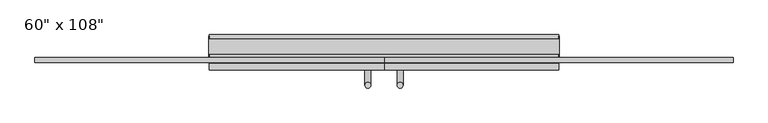
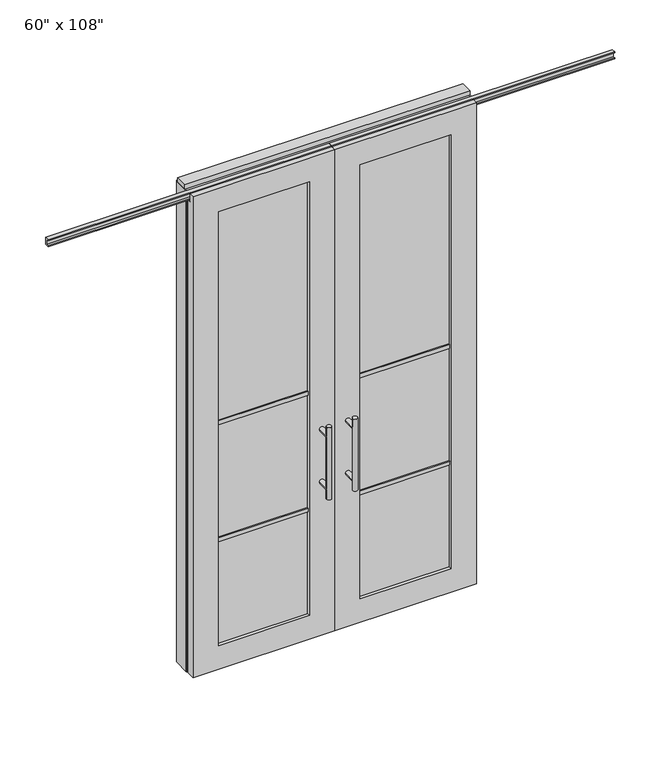
"""IFC4 building model written with IfcOpenShell, lengths in millimetres: furniture geometry."""

from ifc_helpers import new_model, si_unit, frame, origin, origin_with_axes, place, context, project, spatial, polyline, circle_curve, ellipse_curve, outline, extrude, faceted_brep, source, transform, mapped, element, save
from ifc_brep_helpers import plane_surface, cylinder_surface, advanced_brep


def furniture_ede34a15(model_context):
    return source(origin(), model_context, "Body", "SolidModel", [
        advanced_brep(
        [(-117.3135229, 5.8962784, 1219.2), (-142.7135229, 5.8962784, 1219.2), (-117.3135229, 5.8962784, 812.8), (-142.7135229, 5.8962784, 812.8), (-117.3135229, 5.8962784, 1164.336), (-117.3135229, 5.8962784, 867.664), (-142.7135229, 5.8962784, 867.664), (-142.7135229, 5.8962784, 1164.336), (-117.3135229, -61.6677216, 1164.336), (-142.7135229, -61.6677216, 1164.336), (-117.3135229, -61.6677216, 867.664), (-142.7135229, -61.6677216, 867.664)],
        [
            (0, 1, circle_curve(frame((-130.0135229, 5.8962784, 1219.2), z_axis=(0.0, 0.0, 1.0), x_axis=(-1.0, 0.0, 0.0)), 12.7)),
            (1, 0, circle_curve(frame((-130.0135229, 5.8962784, 1219.2), z_axis=(0.0, 0.0, 1.0), x_axis=(-1.0, 0.0, 0.0)), 12.7)),
            (2, 3, circle_curve(frame((-130.0135229, 5.8962784, 812.8), z_axis=(0.0, 0.0, -1.0), x_axis=(-1.0, 0.0, 0.0)), 12.7)),
            (3, 2, circle_curve(frame((-130.0135229, 5.8962784, 812.8), z_axis=(0.0, 0.0, -1.0), x_axis=(-1.0, 0.0, 0.0)), 12.7)),
            (0, 4),
            (4, 5),
            (5, 2),
            (3, 6),
            (6, 7),
            (7, 1),
            (7, 4, ellipse_curve(frame((-130.0135229, 5.8962784, 1164.336), z_axis=(0.0, 0.707106781186565, 0.70710678118653), x_axis=(0.0, -0.70710678118653, 0.707106781186565)), 17.9605122, 12.7)),
            (5, 6, ellipse_curve(frame((-130.0135229, 5.8962784, 867.664), z_axis=(0.0, 0.70710678118653, -0.7071067811865649), x_axis=(0.0, 0.7071067811865648, 0.7071067811865301)), 17.9605122, 12.7)),
            (4, 7, ellipse_curve(frame((-130.0135229, 5.8962784, 1164.336), z_axis=(0.0, 0.70710678118653, -0.7071067811865649), x_axis=(0.0, 0.7071067811865648, 0.7071067811865301)), 17.9605122, 12.7)),
            (6, 5, ellipse_curve(frame((-130.0135229, 5.8962784, 867.664), z_axis=(0.0, 0.707106781186565, 0.70710678118653), x_axis=(0.0, -0.70710678118653, 0.707106781186565)), 17.9605122, 12.7)),
            (8, 9, circle_curve(frame((-130.0135229, -61.6677216, 1164.336), z_axis=(0.0, -1.0, 0.0), x_axis=(-1.0, 0.0, 0.0)), 12.7)),
            (9, 8, circle_curve(frame((-130.0135229, -61.6677216, 1164.336), z_axis=(0.0, -1.0, 0.0), x_axis=(-1.0, 0.0, 0.0)), 12.7)),
            (9, 7),
            (4, 8),
            (10, 11, circle_curve(frame((-130.0135229, -61.6677216, 867.664), z_axis=(0.0, -1.0, 0.0), x_axis=(-1.0, 0.0, 0.0)), 12.7)),
            (11, 10, circle_curve(frame((-130.0135229, -61.6677216, 867.664), z_axis=(0.0, -1.0, 0.0), x_axis=(-1.0, 0.0, 0.0)), 12.7)),
            (11, 6),
            (5, 10),
        ],
        [
            plane_surface(frame((-142.7135229, 5.8962784, 1219.2), z_axis=(0.0, 0.0, 1.0), x_axis=(0.0, -1.0, 0.0))),
            plane_surface(frame((-142.7135229, 5.8962784, 812.8), z_axis=(0.0, 0.0, -1.0), x_axis=(0.0, 1.0, 0.0))),
            cylinder_surface(frame((-130.0135229, 5.8962784, 812.8), z_axis=(0.0, 0.0, 1.0), x_axis=(-1.0, 0.0, 0.0)), 12.7),
            plane_surface(frame((-142.7135229, -61.6677216, 1164.336), z_axis=(0.0, -1.0, 0.0), x_axis=(0.0, 0.0, -1.0))),
            cylinder_surface(frame((-130.0135229, -61.6677216, 1164.336), z_axis=(0.0, 1.0, 0.0), x_axis=(-1.0, 0.0, 0.0)), 12.7),
            plane_surface(frame((-142.7135229, -61.6677216, 867.664), z_axis=(0.0, -1.0, 0.0), x_axis=(0.0, 0.0, -1.0))),
            cylinder_surface(frame((-130.0135229, -61.6677216, 867.664), z_axis=(0.0, 1.0, 0.0), x_axis=(-1.0, 0.0, 0.0)), 12.7),
        ],
        [
            (0, [[1, 2]]),
            (1, [[3, 4]]),
            (2, [[-1, 5, 6, 7, -4, 8, 9, 10]]),
            (2, [[-2, -10, 11, -5]]),
            (2, [[-3, -7, 12, -8]]),
            (2, [[13, -9, 14, -6]]),
            (3, [[15, 16]]),
            (4, [[-16, 17, -13, 18]]),
            (4, [[-15, -18, -11, -17]]),
            (5, [[19, 20]]),
            (6, [[-20, 21, -12, 22]]),
            (6, [[-19, -22, -14, -21]]),
        ],
    ),
        advanced_brep(
        [(-117.3135229, -173.6817216, 1219.2), (-142.7135229, -173.6817216, 1219.2), (-117.3135229, -173.6817216, 812.8), (-142.7135229, -173.6817216, 812.8), (-142.7135229, -173.6817216, 1164.336), (-142.7135229, -173.6817216, 867.664), (-117.3135229, -173.6817216, 867.664), (-117.3135229, -173.6817216, 1164.336), (-117.3135229, -106.1177216, 1164.336), (-142.7135229, -106.1177216, 1164.336), (-117.3135229, -106.1177216, 867.664), (-142.7135229, -106.1177216, 867.664)],
        [
            (0, 1, circle_curve(frame((-130.0135229, -173.6817216, 1219.2), z_axis=(0.0, 0.0, 1.0), x_axis=(-1.0, 0.0, 0.0)), 12.7)),
            (1, 0, circle_curve(frame((-130.0135229, -173.6817216, 1219.2), z_axis=(0.0, 0.0, 1.0), x_axis=(-1.0, 0.0, 0.0)), 12.7)),
            (2, 3, circle_curve(frame((-130.0135229, -173.6817216, 812.8), z_axis=(0.0, 0.0, -1.0), x_axis=(-1.0, 0.0, 0.0)), 12.7)),
            (3, 2, circle_curve(frame((-130.0135229, -173.6817216, 812.8), z_axis=(0.0, 0.0, -1.0), x_axis=(-1.0, 0.0, 0.0)), 12.7)),
            (1, 4),
            (4, 5),
            (5, 3),
            (2, 6),
            (6, 7),
            (7, 0),
            (6, 5, ellipse_curve(frame((-130.0135229, -173.6817216, 867.664), z_axis=(0.0, -0.707106781186565, 0.70710678118653), x_axis=(0.0, 0.70710678118653, 0.707106781186565)), 17.9605122, 12.7)),
            (4, 7, ellipse_curve(frame((-130.0135229, -173.6817216, 1164.336), z_axis=(0.0, -0.70710678118653, -0.7071067811865649), x_axis=(0.0, -0.7071067811865648, 0.7071067811865301)), 17.9605122, 12.7)),
            (7, 4, ellipse_curve(frame((-130.0135229, -173.6817216, 1164.336), z_axis=(0.0, -0.707106781186565, 0.70710678118653), x_axis=(0.0, 0.70710678118653, 0.707106781186565)), 17.9605122, 12.7)),
            (5, 6, ellipse_curve(frame((-130.0135229, -173.6817216, 867.664), z_axis=(0.0, -0.70710678118653, -0.7071067811865649), x_axis=(0.0, -0.7071067811865648, 0.7071067811865301)), 17.9605122, 12.7)),
            (8, 9, circle_curve(frame((-130.0135229, -106.1177216, 1164.336), z_axis=(0.0, 1.0, 0.0), x_axis=(-1.0, 0.0, 0.0)), 12.7)),
            (9, 8, circle_curve(frame((-130.0135229, -106.1177216, 1164.336), z_axis=(0.0, 1.0, 0.0), x_axis=(-1.0, 0.0, 0.0)), 12.7)),
            (8, 7),
            (4, 9),
            (10, 11, circle_curve(frame((-130.0135229, -106.1177216, 867.664), z_axis=(0.0, 1.0, 0.0), x_axis=(-1.0, 0.0, 0.0)), 12.7)),
            (11, 10, circle_curve(frame((-130.0135229, -106.1177216, 867.664), z_axis=(0.0, 1.0, 0.0), x_axis=(-1.0, 0.0, 0.0)), 12.7)),
            (10, 6),
            (5, 11),
        ],
        [
            plane_surface(frame((-142.7135229, -173.6817216, 1219.2), z_axis=(0.0, 0.0, 1.0), x_axis=(0.0, 1.0, 0.0))),
            plane_surface(frame((-142.7135229, -173.6817216, 812.8), z_axis=(0.0, 0.0, -1.0), x_axis=(0.0, -1.0, 0.0))),
            cylinder_surface(frame((-130.0135229, -173.6817216, 812.8), z_axis=(0.0, 0.0, 1.0), x_axis=(-1.0, 0.0, 0.0)), 12.7),
            plane_surface(frame((-142.7135229, -106.1177216, 1164.336), z_axis=(0.0, 1.0, 0.0), x_axis=(0.0, 0.0, -1.0))),
            cylinder_surface(frame((-130.0135229, -106.1177216, 1164.336), z_axis=(0.0, -1.0, 0.0), x_axis=(-1.0, 0.0, 0.0)), 12.7),
            plane_surface(frame((-142.7135229, -106.1177216, 867.664), z_axis=(0.0, 1.0, 0.0), x_axis=(0.0, 0.0, -1.0))),
            cylinder_surface(frame((-130.0135229, -106.1177216, 867.664), z_axis=(0.0, -1.0, 0.0), x_axis=(-1.0, 0.0, 0.0)), 12.7),
        ],
        [
            (0, [[1, 2]]),
            (1, [[3, 4]]),
            (2, [[5, 6, 7, -3, 8, 9, 10, -2]]),
            (2, [[-9, 11, -6, 12]]),
            (2, [[-10, 13, -5, -1]]),
            (2, [[-7, 14, -8, -4]]),
            (3, [[15, 16]]),
            (4, [[17, -12, 18, -15]]),
            (4, [[-18, -13, -17, -16]]),
            (5, [[19, 20]]),
            (6, [[21, -14, 22, -19]]),
            (6, [[-22, -11, -21, -20]]),
        ],
    ),
        extrude(outline(polyline([(-196.0535229, -95.0052216), (-682.0825229, -95.0052216), (-682.0825229, -72.7802216), (-196.0535229, -72.7802216), (-196.0535229, -95.0052216)])), frame((0.0, 0.0, 1371.6), z_axis=(0.0, 0.0, 1.0), x_axis=(1.0, 0.0, 0.0)), (0.0, 0.0, 1.0), 22.225),
        extrude(outline(polyline([(-196.0535229, -95.0052216), (-682.0825229, -95.0052216), (-682.0825229, -72.7802216), (-196.0535229, -72.7802216), (-196.0535229, -95.0052216)])), frame((0.0, 0.0, 711.2), z_axis=(0.0, 0.0, 1.0), x_axis=(1.0, 0.0, 0.0)), (0.0, 0.0, 1.0), 22.225),
        extrude(outline(polyline([(-682.0825229, -88.9727216), (-682.0825229, -78.8127216), (-196.0535229, -78.8127216), (-196.0535229, -88.9727216), (-682.0825229, -88.9727216)])), frame((0.0, 0.0, 132.969), z_axis=(0.0, 0.0, 1.0), x_axis=(1.0, 0.0, 0.0)), (0.0, 0.0, 1.0), 2451.862),
        extrude(outline(polyline([(-75.3837216, 2681.478), (-75.3837216, 2686.812), (-62.6837216, 2686.812), (-62.6837216, 2715.768), (-75.3837216, 2715.768), (-75.3837216, 2721.102), (-53.6667216, 2721.102), (-53.6667216, 2681.478), (-75.3837216, 2681.478)])), frame((-1576.1625229, 0.0, 0.0), z_axis=(1.0, 0.0, 0.0), x_axis=(0.0, 1.0, 0.0)), (0.0, 0.0, 1.0), 1516.126),
        faceted_brep([(-60.0365229, -106.1177216, 0.0), (-60.0365229, -106.1177216, 2717.8), (-818.0995229, -106.1177216, 2717.8), (-818.0995229, -106.1177216, 0.0), (-682.0825229, -106.1177216, 2584.831), (-196.0535229, -106.1177216, 2584.831), (-196.0535229, -106.1177216, 132.969), (-682.0825229, -106.1177216, 132.969), (-60.0365229, -78.6857216, 2717.8), (-60.0365229, -78.6857216, 2673.223), (-818.0995229, -78.6857216, 2673.223), (-818.0995229, -78.6857216, 2717.8), (-60.0365229, -61.6677216, 0.0), (-60.0365229, -61.6677216, 2673.223), (-818.0995229, -61.6677216, 2673.223), (-818.0995229, -61.6677216, 0.0), (-682.0825229, -61.6677216, 2584.831), (-682.0825229, -61.6677216, 132.969), (-196.0535229, -61.6677216, 132.969), (-196.0535229, -61.6677216, 2584.831)], [[[0, 1, 2, 3], [4, 5, 6, 7]], [[8, 9, 10, 11]], [[0, 12, 13, 9, 8, 1]], [[2, 11, 10, 14, 15, 3]], [[1, 8, 11, 2]], [[14, 13, 12, 15], [16, 17, 18, 19]], [[14, 10, 9, 13]], [[3, 15, 12, 0]], [[7, 17, 16, 4]], [[6, 18, 17, 7]], [[5, 19, 18, 6]], [[4, 16, 19, 5]]]),
        advanced_brep(
        [(-2.7595229, 5.8962784, 1219.2), (22.6404771, 5.8962784, 1219.2), (-2.7595229, 5.8962784, 812.8), (22.6404771, 5.8962784, 812.8), (22.6404771, 5.8962784, 1164.336), (22.6404771, 5.8962784, 867.664), (-2.7595229, 5.8962784, 867.664), (-2.7595229, 5.8962784, 1164.336), (-2.7595229, -61.6677216, 1164.336), (22.6404771, -61.6677216, 1164.336), (-2.7595229, -61.6677216, 867.664), (22.6404771, -61.6677216, 867.664)],
        [
            (0, 1, circle_curve(frame((9.9404771, 5.8962784, 1219.2), z_axis=(0.0, 0.0, 1.0), x_axis=(1.0, 0.0, 0.0)), 12.7)),
            (1, 0, circle_curve(frame((9.9404771, 5.8962784, 1219.2), z_axis=(0.0, 0.0, 1.0), x_axis=(1.0, 0.0, 0.0)), 12.7)),
            (2, 3, circle_curve(frame((9.9404771, 5.8962784, 812.8), z_axis=(0.0, 0.0, -1.0), x_axis=(1.0, 0.0, 0.0)), 12.7)),
            (3, 2, circle_curve(frame((9.9404771, 5.8962784, 812.8), z_axis=(0.0, 0.0, -1.0), x_axis=(1.0, 0.0, 0.0)), 12.7)),
            (1, 4),
            (4, 5),
            (5, 3),
            (2, 6),
            (6, 7),
            (7, 0),
            (6, 5, ellipse_curve(frame((9.9404771, 5.8962784, 867.664), z_axis=(0.0, 0.707106781186565, 0.70710678118653), x_axis=(0.0, -0.70710678118653, 0.707106781186565)), 17.9605122, 12.7)),
            (4, 7, ellipse_curve(frame((9.9404771, 5.8962784, 1164.336), z_axis=(0.0, 0.70710678118653, -0.7071067811865649), x_axis=(0.0, 0.7071067811865648, 0.7071067811865301)), 17.9605122, 12.7)),
            (7, 4, ellipse_curve(frame((9.9404771, 5.8962784, 1164.336), z_axis=(0.0, 0.707106781186565, 0.70710678118653), x_axis=(0.0, -0.70710678118653, 0.707106781186565)), 17.9605122, 12.7)),
            (5, 6, ellipse_curve(frame((9.9404771, 5.8962784, 867.664), z_axis=(0.0, 0.70710678118653, -0.7071067811865649), x_axis=(0.0, 0.7071067811865648, 0.7071067811865301)), 17.9605122, 12.7)),
            (8, 9, circle_curve(frame((9.9404771, -61.6677216, 1164.336), z_axis=(0.0, -1.0, 0.0), x_axis=(1.0, 0.0, 0.0)), 12.7)),
            (9, 8, circle_curve(frame((9.9404771, -61.6677216, 1164.336), z_axis=(0.0, -1.0, 0.0), x_axis=(1.0, 0.0, 0.0)), 12.7)),
            (8, 7),
            (4, 9),
            (10, 11, circle_curve(frame((9.9404771, -61.6677216, 867.664), z_axis=(0.0, -1.0, 0.0), x_axis=(1.0, 0.0, 0.0)), 12.7)),
            (11, 10, circle_curve(frame((9.9404771, -61.6677216, 867.664), z_axis=(0.0, -1.0, 0.0), x_axis=(1.0, 0.0, 0.0)), 12.7)),
            (10, 6),
            (5, 11),
        ],
        [
            plane_surface(frame((22.6404771, 5.8962784, 1219.2), z_axis=(0.0, 0.0, 1.0), x_axis=(0.0, -1.0, 0.0))),
            plane_surface(frame((22.6404771, 5.8962784, 812.8), z_axis=(0.0, 0.0, -1.0), x_axis=(0.0, 1.0, 0.0))),
            cylinder_surface(frame((9.9404771, 5.8962784, 812.8), z_axis=(0.0, 0.0, 1.0), x_axis=(1.0, 0.0, 0.0)), 12.7),
            plane_surface(frame((22.6404771, -61.6677216, 1164.336), z_axis=(0.0, -1.0, 0.0), x_axis=(0.0, 0.0, -1.0))),
            cylinder_surface(frame((9.9404771, -61.6677216, 1164.336), z_axis=(0.0, 1.0, 0.0), x_axis=(1.0, 0.0, 0.0)), 12.7),
            plane_surface(frame((22.6404771, -61.6677216, 867.664), z_axis=(0.0, -1.0, 0.0), x_axis=(0.0, 0.0, -1.0))),
            cylinder_surface(frame((9.9404771, -61.6677216, 867.664), z_axis=(0.0, 1.0, 0.0), x_axis=(1.0, 0.0, 0.0)), 12.7),
        ],
        [
            (0, [[1, 2]]),
            (1, [[3, 4]]),
            (2, [[5, 6, 7, -3, 8, 9, 10, -2]]),
            (2, [[-9, 11, -6, 12]]),
            (2, [[-10, 13, -5, -1]]),
            (2, [[-7, 14, -8, -4]]),
            (3, [[15, 16]]),
            (4, [[17, -12, 18, -15]]),
            (4, [[-18, -13, -17, -16]]),
            (5, [[19, 20]]),
            (6, [[21, -14, 22, -19]]),
            (6, [[-22, -11, -21, -20]]),
        ],
    ),
        advanced_brep(
        [(-2.7595229, -173.6817216, 1219.2), (22.6404771, -173.6817216, 1219.2), (-2.7595229, -173.6817216, 812.8), (22.6404771, -173.6817216, 812.8), (-2.7595229, -173.6817216, 1164.336), (-2.7595229, -173.6817216, 867.664), (22.6404771, -173.6817216, 867.664), (22.6404771, -173.6817216, 1164.336), (-2.7595229, -106.1177216, 1164.336), (22.6404771, -106.1177216, 1164.336), (-2.7595229, -106.1177216, 867.664), (22.6404771, -106.1177216, 867.664)],
        [
            (0, 1, circle_curve(frame((9.9404771, -173.6817216, 1219.2), z_axis=(0.0, 0.0, 1.0), x_axis=(1.0, 0.0, 0.0)), 12.7)),
            (1, 0, circle_curve(frame((9.9404771, -173.6817216, 1219.2), z_axis=(0.0, 0.0, 1.0), x_axis=(1.0, 0.0, 0.0)), 12.7)),
            (2, 3, circle_curve(frame((9.9404771, -173.6817216, 812.8), z_axis=(0.0, 0.0, -1.0), x_axis=(1.0, 0.0, 0.0)), 12.7)),
            (3, 2, circle_curve(frame((9.9404771, -173.6817216, 812.8), z_axis=(0.0, 0.0, -1.0), x_axis=(1.0, 0.0, 0.0)), 12.7)),
            (0, 4),
            (4, 5),
            (5, 2),
            (3, 6),
            (6, 7),
            (7, 1),
            (7, 4, ellipse_curve(frame((9.9404771, -173.6817216, 1164.336), z_axis=(0.0, -0.707106781186565, 0.70710678118653), x_axis=(0.0, 0.70710678118653, 0.707106781186565)), 17.9605122, 12.7)),
            (5, 6, ellipse_curve(frame((9.9404771, -173.6817216, 867.664), z_axis=(0.0, -0.70710678118653, -0.7071067811865649), x_axis=(0.0, -0.7071067811865648, 0.7071067811865301)), 17.9605122, 12.7)),
            (4, 7, ellipse_curve(frame((9.9404771, -173.6817216, 1164.336), z_axis=(0.0, -0.70710678118653, -0.7071067811865649), x_axis=(0.0, -0.7071067811865648, 0.7071067811865301)), 17.9605122, 12.7)),
            (6, 5, ellipse_curve(frame((9.9404771, -173.6817216, 867.664), z_axis=(0.0, -0.707106781186565, 0.70710678118653), x_axis=(0.0, 0.70710678118653, 0.707106781186565)), 17.9605122, 12.7)),
            (8, 9, circle_curve(frame((9.9404771, -106.1177216, 1164.336), z_axis=(0.0, 1.0, 0.0), x_axis=(1.0, 0.0, 0.0)), 12.7)),
            (9, 8, circle_curve(frame((9.9404771, -106.1177216, 1164.336), z_axis=(0.0, 1.0, 0.0), x_axis=(1.0, 0.0, 0.0)), 12.7)),
            (9, 7),
            (4, 8),
            (10, 11, circle_curve(frame((9.9404771, -106.1177216, 867.664), z_axis=(0.0, 1.0, 0.0), x_axis=(1.0, 0.0, 0.0)), 12.7)),
            (11, 10, circle_curve(frame((9.9404771, -106.1177216, 867.664), z_axis=(0.0, 1.0, 0.0), x_axis=(1.0, 0.0, 0.0)), 12.7)),
            (11, 6),
            (5, 10),
        ],
        [
            plane_surface(frame((22.6404771, -173.6817216, 1219.2), z_axis=(0.0, 0.0, 1.0), x_axis=(0.0, 1.0, 0.0))),
            plane_surface(frame((22.6404771, -173.6817216, 812.8), z_axis=(0.0, 0.0, -1.0), x_axis=(0.0, -1.0, 0.0))),
            cylinder_surface(frame((9.9404771, -173.6817216, 812.8), z_axis=(0.0, 0.0, 1.0), x_axis=(1.0, 0.0, 0.0)), 12.7),
            plane_surface(frame((22.6404771, -106.1177216, 1164.336), z_axis=(0.0, 1.0, 0.0), x_axis=(0.0, 0.0, -1.0))),
            cylinder_surface(frame((9.9404771, -106.1177216, 1164.336), z_axis=(0.0, -1.0, 0.0), x_axis=(1.0, 0.0, 0.0)), 12.7),
            plane_surface(frame((22.6404771, -106.1177216, 867.664), z_axis=(0.0, 1.0, 0.0), x_axis=(0.0, 0.0, -1.0))),
            cylinder_surface(frame((9.9404771, -106.1177216, 867.664), z_axis=(0.0, -1.0, 0.0), x_axis=(1.0, 0.0, 0.0)), 12.7),
        ],
        [
            (0, [[1, 2]]),
            (1, [[3, 4]]),
            (2, [[-1, 5, 6, 7, -4, 8, 9, 10]]),
            (2, [[-2, -10, 11, -5]]),
            (2, [[-3, -7, 12, -8]]),
            (2, [[13, -9, 14, -6]]),
            (3, [[15, 16]]),
            (4, [[-16, 17, -13, 18]]),
            (4, [[-15, -18, -11, -17]]),
            (5, [[19, 20]]),
            (6, [[-20, 21, -12, 22]]),
            (6, [[-19, -22, -14, -21]]),
        ],
    ),
        extrude(outline(polyline([(75.9804771, -95.0052216), (75.9804771, -72.7802216), (562.0094771, -72.7802216), (562.0094771, -95.0052216), (75.9804771, -95.0052216)])), frame((0.0, 0.0, 1371.6), z_axis=(0.0, 0.0, 1.0), x_axis=(1.0, 0.0, 0.0)), (0.0, 0.0, 1.0), 22.225),
        extrude(outline(polyline([(75.9804771, -95.0052216), (75.9804771, -72.7802216), (562.0094771, -72.7802216), (562.0094771, -95.0052216), (75.9804771, -95.0052216)])), frame((0.0, 0.0, 711.2), z_axis=(0.0, 0.0, 1.0), x_axis=(1.0, 0.0, 0.0)), (0.0, 0.0, 1.0), 22.225),
        extrude(outline(polyline([(562.0094771, -88.9727216), (75.9804771, -88.9727216), (75.9804771, -78.8127216), (562.0094771, -78.8127216), (562.0094771, -88.9727216)])), frame((0.0, 0.0, 132.969), z_axis=(0.0, 0.0, 1.0), x_axis=(1.0, 0.0, 0.0)), (0.0, 0.0, 1.0), 2451.862),
        extrude(outline(polyline([(-75.3837216, 2681.478), (-75.3837216, 2686.812), (-62.6837216, 2686.812), (-62.6837216, 2715.768), (-75.3837216, 2715.768), (-75.3837216, 2721.102), (-53.6667216, 2721.102), (-53.6667216, 2681.478), (-75.3837216, 2681.478)])), frame((-60.0365229, 0.0, 0.0), z_axis=(1.0, 0.0, 0.0), x_axis=(0.0, 1.0, 0.0)), (0.0, 0.0, 1.0), 1516.126),
        faceted_brep([(-60.0365229, -106.1177216, 0.0), (698.0264771, -106.1177216, 0.0), (698.0264771, -106.1177216, 2717.8), (-60.0365229, -106.1177216, 2717.8), (562.0094771, -106.1177216, 2584.831), (562.0094771, -106.1177216, 132.969), (75.9804771, -106.1177216, 132.969), (75.9804771, -106.1177216, 2584.831), (-60.0365229, -78.6857216, 2717.8), (698.0264771, -78.6857216, 2717.8), (698.0264771, -78.6857216, 2673.223), (-60.0365229, -78.6857216, 2673.223), (-60.0365229, -61.6677216, 2673.223), (-60.0365229, -61.6677216, 0.0), (698.0264771, -61.6677216, 0.0), (698.0264771, -61.6677216, 2673.223), (562.0094771, -61.6677216, 2584.831), (75.9804771, -61.6677216, 2584.831), (75.9804771, -61.6677216, 132.969), (562.0094771, -61.6677216, 132.969)], [[[0, 1, 2, 3], [4, 5, 6, 7]], [[8, 9, 10, 11]], [[0, 3, 8, 11, 12, 13]], [[2, 1, 14, 15, 10, 9]], [[3, 2, 9, 8]], [[15, 14, 13, 12], [16, 17, 18, 19]], [[15, 12, 11, 10]], [[1, 0, 13, 14]], [[5, 4, 16, 19]], [[6, 5, 19, 18]], [[7, 6, 18, 17]], [[4, 7, 17, 16]]]),
        extrude(outline(polyline([(-818.0995229, -55.3177216), (-818.0995229, 46.2822784), (698.0264771, 46.2822784), (698.0264771, -55.3177216), (-818.0995229, -55.3177216)])), frame((0.0, 0.0, 2654.3), z_axis=(0.0, 0.0, 1.0), x_axis=(1.0, 0.0, 0.0)), (0.0, 0.0, 1.0), 22.225),
        extrude(outline(polyline([(701.9634771, -50.3647216), (698.0264771, -50.3647216), (698.0264771, 41.3292784), (701.9634771, 41.3292784), (701.9634771, -50.3647216)])), origin_with_axes(), (0.0, 0.0, 1.0), 2717.8),
        extrude(outline(polyline([(-822.0365229, -50.3647216), (-822.0365229, 41.3292784), (-818.0995229, 41.3292784), (-818.0995229, -50.3647216), (-822.0365229, -50.3647216)])), origin_with_axes(), (0.0, 0.0, 1.0), 2717.8),
        extrude(outline(polyline([(675.8014771, -55.3177216), (675.8014771, 46.2822784), (698.0264771, 46.2822784), (698.0264771, -55.3177216), (675.8014771, -55.3177216)])), origin_with_axes(), (0.0, 0.0, 1.0), 2654.3),
        extrude(outline(polyline([(-795.8745229, -55.3177216), (-818.0995229, -55.3177216), (-818.0995229, 46.2822784), (-795.8745229, 46.2822784), (-795.8745229, -55.3177216)])), origin_with_axes(), (0.0, 0.0, 1.0), 2654.3),
        extrude(outline(polyline([(-55.3177216, 2681.478), (-55.3177216, 2717.8), (46.2822784, 2717.8), (46.2822784, 2681.478), (41.3292784, 2681.478), (41.3292784, 2676.525), (-50.3647216, 2676.525), (-50.3647216, 2681.478), (-55.3177216, 2681.478)])), frame((-818.0995229, 0.0, 0.0), z_axis=(1.0, 0.0, 0.0), x_axis=(0.0, 1.0, 0.0)), (0.0, 0.0, 1.0), 1516.126),
        extrude(outline(polyline([(-822.0365229, -37.0297216), (-822.0365229, 27.9942784), (701.9634771, 27.9942784), (701.9634771, -37.0297216), (-822.0365229, -37.0297216)])), frame((0.0, 0.0, 2717.8), z_axis=(0.0, 0.0, 1.0), x_axis=(1.0, 0.0, 0.0)), (0.0, 0.0, 1.0), 25.4),
    ])


if __name__ == "__main__":
    model = new_model("IFC4")
    model_context = context("Model", 3, world=origin())
    ifc_project = project(units=[si_unit("LENGTHUNIT", "METRE", prefix="MILLI")], contexts=[model_context])
    site = spatial("IfcSite", under=ifc_project)
    building = spatial("IfcBuilding", under=site)
    placement = place(None, origin())
    furniture_shape = furniture_ede34a15(model_context)
    element("IfcFurniture", 1, ObjectType="60\" x 108\"", at=placement, inside=building, context=model_context, shape_type="MappedRepresentation", body=[
        mapped(furniture_shape, transform((0.0, 0.0, 0.0), x_axis=(1.0, 0.0, 0.0), y_axis=(0.0, 1.0, 0.0), z_axis=(0.0, 0.0, 1.0))),
    ])
    save(model, "model.ifc")
